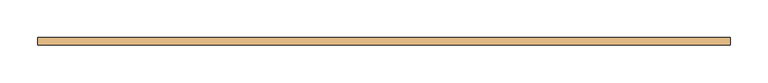
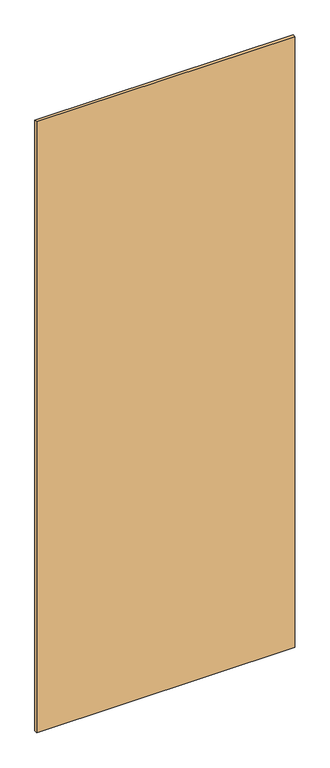
"""IFC4 building model written with IfcOpenShell, lengths in millimetres: door geometry."""

from ifc_helpers import new_model, si_unit, frame, origin, place, context, project, spatial, polyline, outline, extrude, source, transform, mapped, element, save


def door_0714c7e1(model_context):
    return source(origin(), model_context, "Body", "SweptSolid", [
        extrude(outline(polyline([(460.0000002, -5.0), (-460.0000002, -5.0), (-460.0000002, 5.0), (460.0000002, 5.0), (460.0000002, -5.0)])), frame((0.0, 0.0, 10.0), z_axis=(0.0, 0.0, 1.0), x_axis=(1.0, 0.0, 0.0)), (0.0, 0.0, 1.0), 2303.0),
    ])


if __name__ == "__main__":
    model = new_model("IFC4")
    model_context = context("Model", 3, world=origin())
    ifc_project = project(units=[si_unit("LENGTHUNIT", "METRE", prefix="MILLI")], contexts=[model_context])
    site = spatial("IfcSite", under=ifc_project)
    building = spatial("IfcBuilding", under=site)
    placement = place(None, origin())
    door_shape = door_0714c7e1(model_context)
    element("IfcDoor", 1, at=placement, inside=building, context=model_context, shape_type="MappedRepresentation", body=[
        mapped(door_shape, transform((0.0, 0.0, 0.0), x_axis=(1.0, 0.0, 0.0), y_axis=(0.0, 1.0, 0.0), z_axis=(0.0, 0.0, 1.0))),
    ])
    save(model, "model.ifc")
